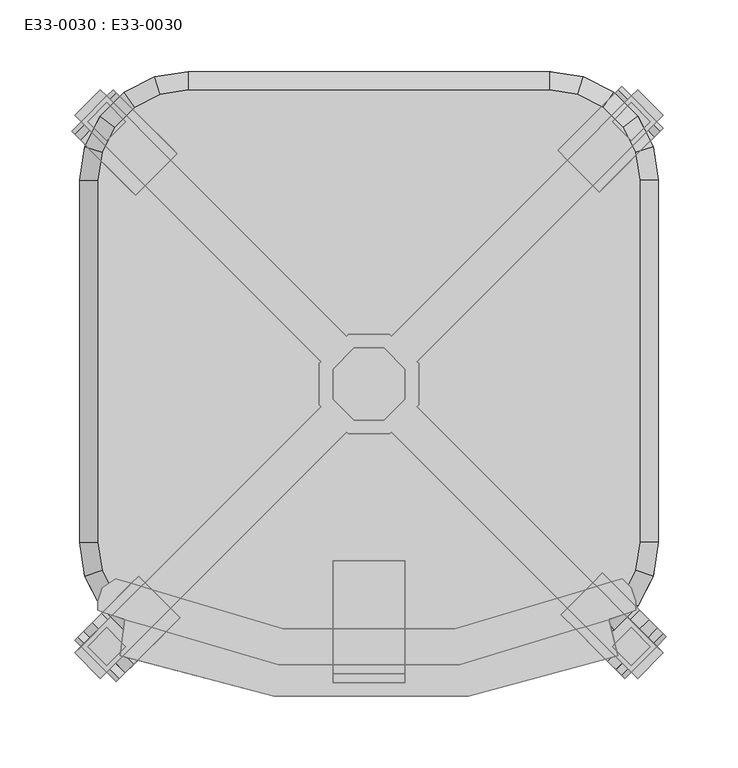
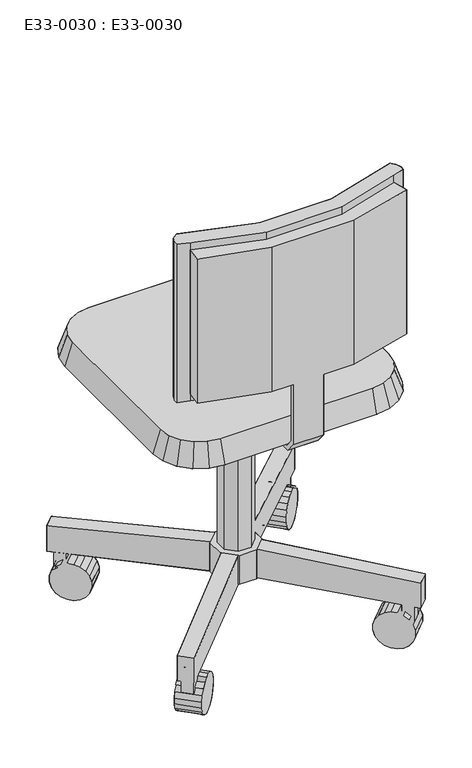
"""IFC4 building model written with IfcOpenShell, lengths in millimetres: furniture geometry, E33-0030 : E33-0030."""

from ifc_helpers import new_model, si_unit, origin, place, context, project, spatial, triangles, source, transform, mapped, element, save


def e33_0030_e33_0030_d70d0a73(model_context):
    return source(origin(), model_context, "Body", "Tessellation", [
        triangles([(10.4864125, -41.1392472, 132.012409), (-10.4864171, -41.1392472, 132.012409), (-10.4864171, -41.1392472, 423.1516422), (10.4864125, -41.1392472, 423.1516422), (-25.316453, -26.3092112, 132.012409), (-25.316453, -26.3092112, 423.1516422), (-25.316453, -5.3363726, 132.012409), (-25.316453, -5.3363726, 423.1516422), (-10.4864171, 9.4936633, 132.012409), (-10.4864171, 9.4936633, 423.1516422), (10.4864125, 9.4936633, 132.012409), (10.4864125, 9.4936633, 423.1516422), (25.3164484, -5.3363726, 132.012409), (25.3164484, -5.3363726, 423.1516422), (25.3164484, -26.3092112, 132.012409), (25.3164484, -26.3092112, 423.1516422), (205.8665266, -203.7878835, 71.8858238), (187.9650885, -221.6893185, 71.8858238), (187.9650885, -221.6893185, 116.1896194), (205.8665266, -203.7878835, 116.1896194), (187.9650885, 190.0437256, 71.8858238), (205.8665266, 172.142311, 71.8858238), (187.9650885, 190.0437256, 116.1896194), (205.8665266, 172.142311, 116.1896194), (14.4188215, 18.9873426, 81.3794985), (15.6637491, 17.7424149, 81.3794985), (14.4188215, 18.9873426, 132.012409), (15.6637491, 17.7424149, 132.012409), (34.8101186, -1.4039636, 81.3794985), (34.8101186, -30.2416111, 81.3794985), (34.8101186, -1.4039636, 132.012409), (34.8101186, -30.2416111, 132.012409), (33.565191, -31.4865478, 81.3794985), (33.565191, -31.4865478, 132.012409), (15.6637491, -49.3879806, 81.3794985), (14.4188215, -50.6329173, 81.3794985), (14.4188215, -50.6329173, 132.012409), (15.6637491, -49.3879806, 132.012409), (33.565191, -0.159036, 81.3794985), (33.565191, -0.159036, 132.012409), (-205.8665334, 172.142311, 71.8858238), (-187.9650825, 190.0437256, 71.8858238), (-205.8665334, 172.142311, 116.1896194), (-187.9650825, 190.0437256, 116.1896194), (-187.9650825, -221.6893185, 71.8858238), (-205.8665334, -203.7878835, 71.8858238), (-205.8665334, -203.7878835, 116.1896194), (-187.9650825, -221.6893185, 116.1896194), (-14.418826, -50.6329173, 81.3794985), (-15.6637718, -49.3879806, 81.3794985), (-15.6637718, -49.3879806, 132.012409), (-14.418826, -50.6329173, 132.012409), (-34.8101322, -30.2416111, 81.3794985), (-34.8101322, -1.4039636, 81.3794985), (-34.8101322, -1.4039636, 132.012409), (-34.8101322, -30.2416111, 132.012409), (-33.5652046, -0.159036, 81.3794985), (-33.5652046, -0.159036, 132.012409), (-15.6637718, 17.7424149, 81.3794985), (-14.418826, 18.9873426, 81.3794985), (-15.6637718, 17.7424149, 132.012409), (-14.418826, 18.9873426, 132.012409), (-33.5652046, -31.4865478, 81.3794985), (-33.5652046, -31.4865478, 132.012409), (208.1042057, -192.5994846, 25.7344189), (205.9138098, -190.4090876, 16.2007133), (176.8239731, -219.4989226, 16.2007133), (179.0143695, -221.6893185, 25.7344189), (165.5410084, -150.0362862, 16.2007133), (163.3506125, -147.8458903, 25.7344189), (134.2607752, -176.9357264, 25.7344189), (136.4511711, -179.1261232, 16.2007133), (176.7766899, 192.2814161, 25.7344189), (174.5862934, 190.0910338, 16.2007133), (203.6761284, 161.0012033, 16.2007133), (205.8665266, 163.1915856, 25.7344189), (134.2134943, 149.7182074, 16.2007133), (132.0230983, 147.5278251, 25.7344189), (161.1129311, 118.4379946, 25.7344189), (163.3033293, 120.6283951, 16.2007133), (160.1817084, -202.8566586, 62.3921537), (160.1817084, -202.8566586, -0.8989843), (153.0934374, -195.7683875, -0.8989843), (146.3520884, -189.0270385, 2.1987046), (166.9230575, -209.5980076, 2.1987046), (172.6575912, -215.332539, 8.090859), (189.2715452, -173.7668237, 62.3921537), (189.2715452, -173.7668237, -0.8989843), (182.1832723, -166.6785508, -0.8989843), (175.441924, -159.9372023, 2.1987046), (169.7073908, -154.2026698, 8.090859), (163.3506125, -147.8458903, 35.7587503), (196.0128936, -180.508172, 2.1987046), (201.7474262, -186.2427051, 8.090859), (157.9440293, 173.448772, 62.3921537), (157.9440293, 173.448772, -0.8989843), (150.8557561, 166.3605055, -0.8989843), (144.114407, 159.6191292, 2.1987046), (138.3798733, 153.8845955, 8.090859), (132.0230983, 147.5278251, 35.7587503), (170.4199109, 185.9246456, 8.090859), (164.6853784, 180.190112, 2.1987046), (187.0338655, 144.3589415, 62.3921537), (187.0338655, 144.3589415, -0.8989843), (179.9455925, 137.2706387, -0.8989843), (173.2042443, 130.5292987, 2.1987046), (167.4697117, 124.794765, 8.090859), (161.1129311, 118.4379946, 35.7587503), (199.5097471, 156.8348152, 8.090859), (193.7752134, 151.1002815, 2.1987046), (140.6175547, -183.2925054, 8.090859), (134.2607752, -176.9357264, 35.7587503), (-176.7767029, -223.9269999, 25.7344189), (-174.5863206, -221.736604, 16.2007133), (-205.8665334, -194.8371649, 25.7344189), (-203.6761511, -192.6467667, 16.2007133), (-134.2134943, -181.3638026, 16.2007133), (-132.023112, -179.1734061, 25.7344189), (-163.3033248, -152.2739675, 16.2007133), (-161.1129425, -150.0835694, 25.7344189), (-208.1042239, 160.9538951, 25.7344189), (-205.9138053, 158.7635128, 16.2007133), (-176.8239748, 187.8533433, 16.2007133), (-179.0143934, 190.0437256, 25.7344189), (-165.5410152, 118.3907046, 16.2007133), (-163.3506329, 116.2003042, 25.7344189), (-134.2608024, 145.2901347, 25.7344189), (-136.4511847, 147.4805533, 16.2007133), (-189.2715435, 142.121251, 62.3921537), (-189.2715435, 142.121251, -0.8989843), (-182.183277, 135.0329846, -0.8989843), (-175.441937, 128.2916264, 2.1987046), (-163.3506329, 116.2003042, 35.7587503), (-196.0129198, 148.862591, 2.1987046), (-201.7474535, 154.5971247, 8.090859), (-160.181713, 171.2110815, 62.3921537), (-160.181713, 171.2110815, -0.8989843), (-153.0934465, 164.1228151, -0.8989843), (-146.3521065, 157.3814751, 2.1987046), (-140.6175728, 151.6469414, 8.090859), (-134.2608024, 145.2901347, 35.7587503), (-166.9230529, 177.9524215, 2.1987046), (-172.6575866, 183.6869552, 8.090859), (-187.0338893, -176.0045035, 62.3921537), (-187.0338893, -176.0045035, -0.8989843), (-179.9455865, -168.9162305, -0.8989843), (-173.2042466, -162.1748825, 2.1987046), (-167.4697129, -156.4403489, 8.090859), (-161.1129425, -150.0835694, 35.7587503), (-193.7752293, -182.7458517, 2.1987046), (-199.509763, -188.4803842, 8.090859), (-157.9440225, -205.0943399, 62.3921537), (-157.9440225, -205.0943399, -0.8989843), (-150.8557561, -198.0060666, -0.8989843), (-144.1144161, -191.2647187, 2.1987046), (-138.3798824, -185.530185, 8.090859), (-132.023112, -179.1734061, 35.7587503), (-164.6853988, -211.8356867, 2.1987046), (-170.4199325, -217.5702204, 8.090859), (-169.7074033, 122.5570927, 8.090859), (183.4897291, 154.2408601, 72.9954763), (183.4897291, 154.2408601, 60.9360244), (170.0636509, 167.6669301, 60.9360244), (170.0636509, 167.6669301, 72.9954763), (174.5862934, 190.0910338, 45.2924571), (176.7766899, 192.2814161, 35.7587503), (203.6761284, 161.0012033, 45.2924571), (205.8665266, 163.1915856, 35.7587503), (134.2134943, 149.7182074, 45.2924571), (138.3798733, 153.8845955, 53.4023136), (144.114407, 159.6191292, 59.2944639), (150.8557561, 166.3605055, 62.3921537), (196.9158068, 167.6669301, 72.2557095), (196.9158068, 167.6669301, 45.3844936), (179.9455925, 137.2706387, 62.3921537), (173.2042443, 130.5292987, 59.2944639), (-170.0636679, 167.6669301, 72.9954763), (-170.0636679, 167.6669301, 60.9360244), (-183.4897379, 154.2408601, 60.9360244), (-183.4897379, 154.2408601, 72.9954763), (-205.9138053, 158.7635128, 45.2924571), (-208.1042239, 160.9538951, 35.7587503), (-179.0143934, 190.0437256, 35.7587503), (-176.8239748, 187.8533433, 45.2924571), (-140.6175728, 151.6469414, 53.4023136), (-146.3521065, 157.3814751, 59.2944639), (-153.0934465, 164.1228151, 62.3921537), (-196.915808, 167.6669301, 72.2557095), (-196.915808, 167.6669301, 45.3844936), (-136.4511847, 147.4805533, 45.2924571), (-182.183277, 135.0329846, 62.3921537), (183.4897291, 181.0930365, 72.2557095), (183.4897291, 181.0930365, 45.3844936), (173.6360959, 171.2393865, 59.2944639), (164.6853784, 180.190112, 59.2944639), (170.4199109, 185.9246456, 53.4023136), (179.3706296, 176.9739202, 53.4023136), (-183.4897379, 181.0930365, 45.3844936), (-183.4897379, 181.0930365, 72.2557095), (-173.6361243, 171.2393865, 59.2944639), (-179.370658, 176.9739202, 53.4023136), (-172.6575866, 183.6869552, 53.4023136), (-166.9230529, 177.9524215, 59.2944639), (196.9158068, -199.312523, 72.2557095), (196.9158068, -199.312523, 45.3844936), (183.4897291, -212.7386022, 45.3844936), (183.4897291, -212.7386022, 72.2557095), (169.7073908, -154.2026698, 53.4023136), (175.441924, -159.9372023, 59.2944639), (146.3520884, -189.0270385, 59.2944639), (140.6175547, -183.2925054, 53.4023136), (173.6360959, -202.8849681, 59.2944639), (179.3706296, -208.6195017, 53.4023136), (166.9230575, -209.5980076, 59.2944639), (172.6575912, -215.332539, 53.4023136), (187.0621747, -189.4588901, 59.2944639), (196.0128936, -180.508172, 59.2944639), (201.7474262, -186.2427051, 53.4023136), (192.7967076, -195.1934249, 53.4023136), (136.4511711, -179.1261232, 45.2924571), (153.0934374, -195.7683875, 62.3921537), (165.5410084, -150.0362862, 45.2924571), (182.1832723, -166.6785508, 62.3921537), (183.4897291, -185.8864451, 72.9954763), (183.4897291, -185.8864451, 60.9360244), (170.0636509, -199.312523, 72.9954763), (170.0636509, -199.312523, 60.9360244), (187.0621747, 157.8133165, 59.2944639), (192.7967076, 163.5478502, 53.4023136), (193.7752134, 151.1002815, 59.2944639), (199.5097471, 156.8348152, 53.4023136), (167.4697117, 124.794765, 53.4023136), (163.3033293, 120.6283951, 45.2924571), (176.8239731, -219.4989226, 45.2924571), (179.0143695, -221.6893185, 35.7587503), (205.9138098, -190.4090876, 45.2924571), (208.1042057, -192.5994846, 35.7587503), (-183.4897379, -212.7386022, 72.2557095), (-183.4897379, -212.7386022, 45.3844936), (-196.915808, -199.312523, 45.3844936), (-196.915808, -199.312523, 72.2557095), (-138.3798824, -185.530185, 53.4023136), (-144.1144161, -191.2647187, 59.2944639), (-173.2042466, -162.1748825, 59.2944639), (-167.4697129, -156.4403489, 53.4023136), (-187.0621943, -189.4588901, 59.2944639), (-192.796728, -195.1934249, 53.4023136), (-199.509763, -188.4803842, 53.4023136), (-193.7752293, -182.7458517, 59.2944639), (-173.6361243, -202.8849681, 59.2944639), (-164.6853988, -211.8356867, 59.2944639), (-179.370658, -208.6195017, 53.4023136), (-170.4199325, -217.5702204, 53.4023136), (-163.3033248, -152.2739675, 45.2924571), (-179.9455865, -168.9162305, 62.3921537), (-134.2134943, -181.3638026, 45.2924571), (-150.8557561, -198.0060666, 62.3921537), (-183.4897379, -185.8864451, 72.9954763), (-183.4897379, -185.8864451, 60.9360244), (-170.0636679, -199.312523, 72.9954763), (-170.0636679, -199.312523, 60.9360244), (-187.0621943, 157.8133165, 59.2944639), (-196.0129198, 148.862591, 59.2944639), (-201.7474535, 154.5971247, 53.4023136), (-192.796728, 163.5478502, 53.4023136), (-169.7074033, 122.5570927, 53.4023136), (-175.441937, 128.2916264, 59.2944639), (-165.5410152, 118.3907046, 45.2924571), (-205.8665334, -194.8371649, 35.7587503), (-203.6761511, -192.6467667, 45.2924571), (-176.7767029, -223.9269999, 35.7587503), (-174.5863206, -221.736604, 45.2924571), (-63.2911518, -212.0253213, 802.8984484), (-170.8860741, -180.3797511, 802.8984484), (-63.2911518, -212.0253213, 549.7339231), (-170.8860741, -180.3797511, 549.7339231), (-174.0506339, -205.6962063, 802.8984484), (-174.0506339, -205.6962063, 549.7339231), (-66.4556933, -234.1772191, 802.8984484), (-66.4556933, -234.1772191, 549.7339231), (69.6202486, -234.1772191, 802.8984484), (69.6202486, -234.1772191, 549.7339231), (174.0506282, -205.6962063, 802.8984484), (174.0506282, -205.6962063, 549.7339231), (167.7215132, -180.3797511, 802.8984484), (167.7215132, -180.3797511, 549.7339231), (63.2911381, -212.0253213, 802.8984484), (63.2911381, -212.0253213, 549.7339231), (-60.126592, -186.7088649, 815.5566874), (-177.2151936, -151.8987384, 815.5566874), (-60.126592, -186.7088649, 537.0756841), (-177.2151936, -151.8987384, 537.0756841), (-186.7088728, -158.2278522, 815.5566874), (-186.7088728, -158.2278522, 537.0756841), (-189.8734326, -167.7215229, 815.5566874), (-189.8734326, -167.7215229, 537.0756841), (-189.8734326, -174.050637, 815.5566874), (-189.8734326, -174.050637, 537.0756841), (186.7088555, -174.050637, 815.5566874), (186.7088555, -167.7215229, 815.5566874), (186.7088555, -167.7215229, 537.0756841), (186.7088555, -174.050637, 537.0756841), (183.5442985, -158.2278522, 815.5566874), (183.5442985, -158.2278522, 537.0756841), (177.2151845, -151.8987384, 815.5566874), (177.2151845, -151.8987384, 537.0756841), (60.1265784, -186.7088649, 815.5566874), (60.1265784, -186.7088649, 537.0756841), (167.7215132, -180.3797511, 815.5566874), (167.7215132, -180.3797511, 537.0756841), (-170.8860741, -180.3797511, 815.5566874), (-170.8860741, -180.3797511, 537.0756841), (25.3164484, -218.354434, 549.7339231), (25.3164484, -224.6835489, 549.7339231), (25.3164484, -224.6835489, 435.8098812), (25.3164484, -218.354434, 438.974441), (-25.316453, -224.6835489, 549.7339231), (-25.316453, -218.354434, 549.7339231), (-25.316453, -218.354434, 438.974441), (-25.316453, -224.6835489, 435.8098812), (126.582274, -189.8734212, 461.1263228), (146.1403099, -186.7757326, 461.1263228), (150.0519193, -198.8144225, 423.1516422), (126.582274, -202.5316489, 423.1516422), (163.7838709, -177.7858897, 461.1263228), (171.2241917, -188.0266113, 423.1516422), (177.7858806, -163.7838811, 461.1263228), (188.0266019, -171.2242005, 423.1516422), (186.7757236, -146.1403212, 461.1263228), (198.8144135, -150.0519284, 423.1516422), (189.8734122, -126.5822831, 461.1263228), (202.5316398, -126.5822831, 423.1516422), (189.8734122, 126.5822831, 461.1263228), (202.5316398, 126.5822831, 423.1516422), (186.7757236, 146.1403008, 461.1263228), (198.8144135, 150.051908, 423.1516422), (177.7858806, 163.7838823, 461.1263228), (188.0266019, 171.2241985, 423.1516422), (163.7838709, 177.7858982, 461.1263228), (171.2241917, 188.0265886, 423.1516422), (146.1403099, 186.7757201, 461.1263228), (150.0519193, 198.8144112, 423.1516422), (126.582274, 189.8734235, 461.1263228), (126.582274, 202.5316262, 423.1516422), (-126.582274, 189.8734235, 461.1263228), (-146.1403099, 186.7757201, 461.1263228), (-150.051917, 198.8144112, 423.1516422), (-126.582274, 202.5316262, 423.1516422), (-163.7838914, 177.7858982, 461.1263228), (-171.2242076, 188.0265886, 423.1516422), (-177.7859073, 163.7838823, 461.1263228), (-188.0265976, 171.2241985, 423.1516422), (-186.7757292, 146.1403008, 461.1263228), (-198.8144203, 150.051908, 423.1516422), (-189.8734326, 126.5822831, 461.1263228), (-202.5316352, 126.5822831, 423.1516422), (-189.8734326, -126.5822831, 461.1263228), (-202.5316352, -126.5822831, 423.1516422), (-186.7757292, -146.1403212, 461.1263228), (-198.8144203, -150.0519284, 423.1516422), (-177.7859073, -163.7838811, 461.1263228), (-188.0265976, -171.2242005, 423.1516422), (-163.7838914, -177.7858897, 461.1263228), (-171.2242076, -188.0266113, 423.1516422), (-146.1403099, -186.7757326, 461.1263228), (-150.051917, -198.8144225, 423.1516422), (-126.582274, -189.8734212, 461.1263228), (-126.582274, -202.5316489, 423.1516422), (25.3164484, -208.8607638, 416.8225227), (25.3164484, -205.6962063, 423.1516422), (-25.316453, -205.6962063, 423.1516422), (-25.316453, -208.8607638, 416.8225227), (25.3164484, -139.2405107, 416.8225227), (25.3164484, -139.2405107, 423.1516422), (-25.316453, -139.2405107, 416.8225227), (-25.316453, -139.2405107, 423.1516422), (-63.2911518, -212.0253213, 537.0756841), (63.2911381, -212.0253213, 537.0756841), (-63.2911518, -212.0253213, 815.5566874), (63.2911381, -212.0253213, 815.5566874)], [[1, 3, 2], [1, 4, 3], [2, 6, 5], [2, 3, 6], [5, 8, 7], [5, 6, 8], [7, 10, 9], [7, 8, 10], [9, 12, 11], [9, 10, 12], [11, 14, 13], [11, 12, 14], [13, 16, 15], [13, 14, 16], [15, 4, 1], [15, 16, 4], [17, 19, 18], [17, 20, 19], [21, 23, 22], [22, 23, 24], [25, 27, 26], [26, 27, 28], [29, 31, 30], [30, 31, 32], [30, 34, 33], [30, 32, 34], [35, 37, 36], [35, 38, 37], [33, 34, 17], [17, 34, 20], [19, 35, 18], [19, 38, 35], [39, 40, 29], [29, 40, 31], [26, 23, 21], [26, 28, 23], [24, 39, 22], [24, 40, 39], [41, 43, 42], [42, 43, 44], [45, 47, 46], [45, 48, 47], [49, 51, 50], [49, 52, 51], [53, 55, 54], [53, 56, 55], [54, 55, 57], [57, 55, 58], [59, 61, 60], [60, 61, 62], [57, 43, 41], [57, 58, 43], [44, 59, 42], [44, 61, 59], [63, 56, 53], [63, 64, 56], [50, 48, 45], [50, 51, 48], [47, 63, 46], [47, 64, 63], [36, 52, 49], [36, 37, 52], [60, 62, 25], [25, 62, 27], [65, 67, 66], [65, 68, 67], [69, 71, 70], [69, 72, 71], [73, 75, 74], [73, 76, 75], [77, 79, 78], [77, 80, 79], [81, 83, 82], [81, 84, 83], [81, 85, 82], [81, 86, 85], [81, 67, 86], [81, 68, 67], [87, 89, 88], [87, 90, 89], [87, 91, 90], [87, 69, 91], [87, 70, 69], [87, 92, 70], [87, 93, 88], [87, 94, 93], [87, 66, 94], [87, 65, 66], [95, 97, 96], [95, 98, 97], [95, 99, 98], [95, 77, 99], [95, 78, 77], [95, 100, 78], [95, 101, 96], [96, 101, 102], [95, 74, 101], [95, 73, 74], [103, 105, 104], [103, 106, 105], [103, 107, 106], [103, 80, 107], [103, 79, 80], [103, 108, 79], [103, 109, 104], [104, 109, 110], [103, 75, 109], [103, 76, 75], [81, 111, 84], [81, 72, 111], [81, 71, 72], [81, 112, 71], [113, 115, 114], [114, 115, 116], [117, 119, 118], [118, 119, 120], [121, 123, 122], [121, 124, 123], [125, 127, 126], [125, 128, 127], [129, 131, 130], [129, 132, 131], [129, 126, 125], [129, 133, 126], [129, 134, 130], [129, 135, 134], [129, 122, 135], [129, 121, 122], [136, 138, 137], [136, 139, 138], [136, 140, 139], [136, 128, 140], [136, 127, 128], [136, 141, 127], [136, 142, 137], [136, 143, 142], [136, 123, 143], [136, 124, 123], [144, 146, 145], [144, 147, 146], [144, 148, 147], [144, 119, 148], [144, 120, 119], [144, 149, 120], [144, 150, 145], [144, 151, 150], [144, 116, 151], [144, 115, 116], [152, 154, 153], [152, 155, 154], [152, 156, 155], [152, 117, 156], [152, 118, 117], [152, 157, 118], [152, 158, 153], [152, 159, 158], [152, 114, 159], [152, 113, 114], [129, 160, 125], [129, 132, 160], [101, 110, 102], [101, 109, 110], [102, 104, 96], [102, 110, 104], [74, 109, 101], [74, 75, 109], [96, 105, 97], [96, 104, 105], [97, 106, 98], [97, 105, 106], [135, 142, 134], [135, 143, 142], [134, 137, 130], [134, 142, 137], [122, 143, 135], [122, 123, 143], [130, 138, 131], [130, 137, 138], [159, 151, 158], [158, 151, 150], [155, 147, 156], [156, 147, 148], [132, 140, 160], [132, 139, 140], [158, 150, 153], [153, 150, 145], [153, 145, 154], [154, 145, 146], [154, 146, 155], [155, 146, 147], [131, 139, 132], [131, 138, 139], [156, 148, 117], [117, 148, 119], [160, 128, 125], [160, 140, 128], [114, 116, 159], [159, 116, 151], [94, 85, 93], [94, 86, 85], [90, 111, 91], [90, 84, 111], [98, 107, 99], [98, 106, 107], [93, 82, 88], [93, 85, 82], [88, 83, 89], [88, 82, 83], [89, 84, 90], [89, 83, 84], [91, 72, 69], [91, 111, 72], [99, 80, 77], [99, 107, 80], [66, 86, 94], [66, 67, 86], [161, 163, 162], [161, 164, 163], [165, 167, 166], [166, 167, 168], [95, 169, 100], [95, 170, 169], [95, 171, 170], [95, 172, 171], [161, 174, 173], [161, 162, 174], [171, 175, 172], [171, 176, 175], [172, 103, 95], [172, 175, 103], [166, 76, 73], [166, 168, 76], [177, 179, 178], [177, 180, 179], [181, 183, 182], [181, 184, 183], [136, 186, 185], [136, 187, 186], [180, 189, 188], [180, 179, 189], [136, 190, 185], [136, 141, 190], [191, 136, 129], [191, 187, 136], [54, 41, 59], [59, 41, 42], [182, 124, 121], [182, 183, 124], [192, 174, 193], [192, 173, 174], [194, 196, 195], [194, 197, 196], [164, 193, 192], [164, 163, 193], [95, 166, 73], [95, 165, 166], [188, 198, 189], [188, 199, 198], [200, 202, 201], [200, 203, 202], [177, 198, 199], [177, 178, 198], [136, 183, 184], [136, 124, 183], [204, 206, 205], [204, 207, 206], [208, 210, 209], [208, 211, 210], [212, 214, 213], [213, 214, 215], [216, 218, 217], [216, 219, 218], [81, 220, 112], [81, 211, 220], [81, 210, 211], [81, 221, 210], [87, 222, 92], [87, 208, 222], [87, 209, 208], [87, 223, 209], [224, 205, 204], [224, 225, 205], [226, 206, 207], [226, 227, 206], [228, 230, 229], [229, 230, 231], [170, 176, 171], [170, 232, 176], [103, 233, 108], [103, 232, 233], [103, 176, 232], [103, 175, 176], [81, 234, 68], [68, 234, 235], [103, 168, 76], [103, 167, 168], [87, 236, 65], [65, 236, 237], [238, 240, 239], [238, 241, 240], [242, 244, 243], [242, 245, 244], [246, 248, 247], [246, 249, 248], [250, 252, 251], [251, 252, 253], [144, 254, 149], [144, 245, 254], [144, 244, 245], [144, 255, 244], [152, 256, 157], [152, 242, 256], [152, 243, 242], [152, 257, 243], [258, 240, 241], [258, 259, 240], [260, 239, 238], [260, 261, 239], [262, 264, 263], [262, 265, 264], [266, 186, 267], [266, 185, 186], [129, 268, 133], [129, 266, 268], [129, 267, 266], [129, 191, 267], [129, 182, 121], [129, 181, 182], [144, 269, 115], [144, 270, 269], [152, 271, 113], [152, 272, 271], [157, 254, 256], [157, 149, 254], [272, 269, 271], [272, 270, 269], [133, 190, 268], [133, 141, 190], [126, 141, 133], [126, 127, 141], [118, 149, 157], [118, 120, 149], [271, 115, 113], [271, 269, 115], [256, 245, 242], [256, 254, 245], [268, 185, 266], [268, 190, 185], [92, 220, 222], [92, 112, 220], [236, 235, 237], [236, 234, 235], [100, 233, 169], [100, 108, 233], [70, 112, 92], [70, 71, 112], [78, 79, 100], [100, 79, 108], [237, 68, 65], [237, 235, 68], [222, 211, 208], [222, 220, 211], [169, 232, 170], [169, 233, 232], [243, 255, 257], [243, 244, 255], [257, 144, 152], [257, 255, 144], [267, 187, 191], [267, 186, 187], [258, 261, 259], [258, 260, 261], [209, 221, 223], [209, 210, 221], [223, 81, 87], [223, 221, 81], [226, 225, 227], [226, 224, 225], [53, 60, 25], [53, 54, 60], [49, 30, 36], [49, 29, 30], [53, 29, 49], [53, 25, 29], [54, 53, 36], [36, 53, 49], [60, 29, 25], [60, 30, 29], [54, 30, 60], [54, 36, 30], [23, 40, 24], [23, 28, 40], [43, 61, 44], [43, 58, 61], [20, 38, 19], [20, 34, 38], [48, 64, 47], [48, 51, 64], [31, 40, 13], [32, 13, 15], [32, 31, 13], [15, 32, 34], [58, 9, 7], [58, 61, 9], [9, 62, 61], [51, 52, 2], [64, 2, 5], [64, 51, 2], [56, 5, 64], [56, 55, 5], [5, 55, 7], [55, 7, 58], [9, 27, 62], [9, 11, 27], [28, 13, 11], [28, 40, 13], [11, 28, 27], [15, 1, 34], [34, 1, 38], [52, 1, 2], [52, 37, 1], [37, 38, 1], [273, 275, 274], [274, 275, 276], [274, 276, 277], [277, 276, 278], [277, 280, 279], [277, 278, 280], [279, 282, 281], [279, 280, 282], [281, 284, 283], [281, 282, 284], [283, 286, 285], [283, 284, 286], [285, 288, 287], [285, 286, 288], [289, 291, 290], [290, 291, 292], [290, 294, 293], [290, 292, 294], [293, 296, 295], [293, 294, 296], [295, 298, 297], [295, 296, 298], [299, 301, 300], [299, 302, 301], [300, 304, 303], [300, 301, 304], [303, 304, 305], [305, 304, 306], [305, 308, 307], [305, 306, 308], [307, 308, 289], [289, 308, 291], [309, 302, 299], [309, 310, 302], [297, 312, 311], [297, 298, 312], [313, 315, 314], [313, 316, 315], [317, 319, 318], [317, 320, 319], [319, 318, 316], [316, 318, 313], [317, 315, 314], [317, 320, 315], [321, 323, 322], [321, 324, 323], [322, 326, 325], [322, 323, 326], [325, 328, 327], [325, 326, 328], [327, 328, 329], [329, 328, 330], [329, 330, 331], [331, 330, 332], [331, 334, 333], [331, 332, 334], [333, 336, 335], [333, 334, 336], [335, 338, 337], [335, 336, 338], [337, 340, 339], [337, 338, 340], [339, 340, 341], [341, 340, 342], [341, 342, 343], [343, 342, 344], [345, 347, 346], [345, 348, 347], [346, 347, 349], [349, 347, 350], [349, 352, 351], [349, 350, 352], [351, 354, 353], [351, 352, 354], [353, 356, 355], [353, 354, 356], [355, 358, 357], [355, 356, 358], [357, 360, 359], [357, 358, 360], [359, 362, 361], [359, 360, 362], [361, 364, 363], [361, 362, 364], [363, 366, 365], [363, 364, 366], [365, 368, 367], [365, 366, 368], [343, 348, 345], [343, 344, 348], [367, 324, 321], [367, 368, 324], [344, 336, 338], [344, 334, 336], [356, 352, 354], [356, 350, 352], [356, 347, 350], [356, 348, 347], [358, 334, 368], [358, 344, 334], [356, 358, 348], [348, 358, 344], [344, 340, 342], [344, 338, 340], [368, 332, 324], [368, 334, 332], [358, 362, 360], [358, 364, 362], [358, 366, 364], [358, 368, 366], [316, 369, 315], [316, 370, 369], [320, 371, 319], [320, 372, 371], [371, 316, 370], [371, 319, 316], [320, 369, 315], [320, 372, 369], [324, 326, 323], [324, 328, 326], [324, 330, 328], [324, 332, 330], [370, 373, 369], [370, 374, 373], [371, 375, 372], [371, 376, 375], [372, 373, 369], [372, 375, 373], [376, 370, 374], [376, 371, 370], [375, 374, 373], [375, 376, 374], [343, 339, 341], [343, 337, 339], [343, 335, 337], [343, 333, 335], [355, 351, 353], [355, 349, 351], [355, 346, 349], [355, 345, 346], [357, 333, 367], [357, 343, 333], [357, 343, 355], [355, 343, 345], [367, 331, 321], [367, 333, 331], [357, 365, 363], [357, 367, 365], [357, 361, 359], [357, 363, 361], [321, 325, 322], [321, 327, 325], [321, 329, 327], [321, 331, 329], [280, 278, 275], [275, 278, 276], [377, 312, 291], [291, 312, 292], [276, 377, 275], [276, 312, 377], [298, 294, 296], [298, 292, 294], [298, 312, 292], [284, 288, 286], [284, 282, 288], [378, 306, 308], [378, 310, 306], [288, 310, 286], [288, 378, 310], [302, 306, 301], [301, 306, 304], [310, 302, 306], [275, 378, 288], [275, 377, 378], [378, 291, 308], [378, 377, 291], [282, 275, 288], [282, 280, 275], [274, 379, 311], [274, 273, 379], [279, 277, 273], [273, 277, 274], [311, 289, 290], [311, 379, 289], [297, 293, 295], [297, 290, 293], [297, 311, 290], [287, 309, 380], [287, 285, 309], [283, 287, 285], [283, 281, 287], [309, 307, 305], [309, 380, 307], [299, 305, 300], [300, 305, 303], [309, 299, 305], [273, 380, 379], [273, 287, 380], [281, 273, 287], [281, 279, 273], [380, 289, 307], [380, 379, 289]], closed=False),
    ])


if __name__ == "__main__":
    model = new_model("IFC4")
    model_context = context("Model", 3, world=origin())
    ifc_project = project(units=[si_unit("LENGTHUNIT", "METRE", prefix="MILLI")], contexts=[model_context])
    site = spatial("IfcSite", under=ifc_project)
    building = spatial("IfcBuilding", under=site)
    placement = place(None, origin())
    e33_0030_e33_0030_shape = e33_0030_e33_0030_d70d0a73(model_context)
    element("IfcFurniture", 1, ObjectType="E33-0030 : E33-0030", at=placement, inside=building, context=model_context, shape_type="MappedRepresentation", body=[
        mapped(e33_0030_e33_0030_shape, transform((0.0, 0.0, 0.0), x_axis=(1.0, 0.0, 0.0), y_axis=(0.0, 1.0, 0.0), z_axis=(0.0, 0.0, 1.0))),
    ])
    save(model, "model.ifc")
